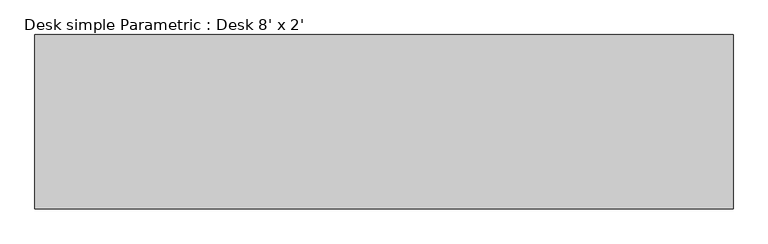
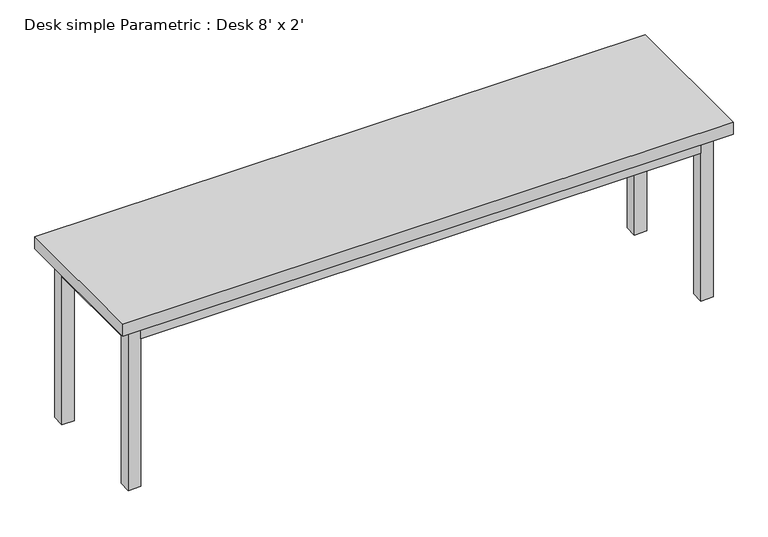
"""IFC4 building model written with IfcOpenShell, lengths in millimetres: furniture geometry, Desk simple Parametric : Desk 8' x 2'."""

from ifc_helpers import new_model, si_unit, frame, origin, origin_with_axes, place, context, project, spatial, polyline, outline, extrude, source, transform, mapped, element, save


def desk_simple_parametric_desk_8_x_2_7ae3be4c(model_context):
    return source(origin(), model_context, "Body", "SweptSolid", [
        extrude(outline(polyline([(1179.2, 324.8), (1179.2, -284.8), (-1259.2, -284.8), (-1259.2, 324.8), (1179.2, 324.8)])), frame((0.0, 0.0, 700.0), z_axis=(0.0, 0.0, 1.0), x_axis=(1.0, 0.0, 0.0)), (0.0, 0.0, 1.0), 50.0),
        extrude(outline(polyline([(1079.2, 249.8), (-1159.2, 249.8), (-1159.2, 274.8), (1079.2, 274.8), (1079.2, 249.8)])), frame((0.0, 0.0, 625.0), z_axis=(0.0, 0.0, 1.0), x_axis=(1.0, 0.0, 0.0)), (0.0, 0.0, 1.0), 75.0),
        extrude(outline(polyline([(-1184.2, 224.8), (-1184.2, -184.8), (-1209.2, -184.8), (-1209.2, 224.8), (-1184.2, 224.8)])), frame((0.0, 0.0, 625.0), z_axis=(0.0, 0.0, 1.0), x_axis=(1.0, 0.0, 0.0)), (0.0, 0.0, 1.0), 75.0),
        extrude(outline(polyline([(1104.2, 224.8), (1129.2, 224.8), (1129.2, -184.8), (1104.2, -184.8), (1104.2, 224.8)])), frame((0.0, 0.0, 625.0), z_axis=(0.0, 0.0, 1.0), x_axis=(1.0, 0.0, 0.0)), (0.0, 0.0, 1.0), 75.0),
        extrude(outline(polyline([(-1159.2, -234.8), (-1159.2, -209.8), (1079.2, -209.8), (1079.2, -234.8), (-1159.2, -234.8)])), frame((0.0, 0.0, 625.0), z_axis=(0.0, 0.0, 1.0), x_axis=(1.0, 0.0, 0.0)), (0.0, 0.0, 1.0), 75.0),
        extrude(outline(polyline([(-1159.2, 274.8), (-1159.2, 224.8), (-1209.2, 224.8), (-1209.2, 274.8), (-1159.2, 274.8)])), origin_with_axes(), (0.0, 0.0, 1.0), 700.0),
        extrude(outline(polyline([(-1159.2, -234.8), (-1209.2, -234.8), (-1209.2, -184.8), (-1159.2, -184.8), (-1159.2, -234.8)])), origin_with_axes(), (0.0, 0.0, 1.0), 700.0),
        extrude(outline(polyline([(1079.2, -234.8), (1079.2, -184.8), (1129.2, -184.8), (1129.2, -234.8), (1079.2, -234.8)])), origin_with_axes(), (0.0, 0.0, 1.0), 700.0),
        extrude(outline(polyline([(1079.2, 274.8), (1129.2, 274.8), (1129.2, 224.8), (1079.2, 224.8), (1079.2, 274.8)])), origin_with_axes(), (0.0, 0.0, 1.0), 700.0),
    ])


if __name__ == "__main__":
    model = new_model("IFC4")
    model_context = context("Model", 3, world=origin())
    ifc_project = project(units=[si_unit("LENGTHUNIT", "METRE", prefix="MILLI")], contexts=[model_context])
    site = spatial("IfcSite", under=ifc_project)
    building = spatial("IfcBuilding", under=site)
    placement = place(None, origin())
    desk_simple_parametric_desk_8_x_2_shape = desk_simple_parametric_desk_8_x_2_7ae3be4c(model_context)
    element("IfcFurniture", 1, ObjectType="Desk simple Parametric : Desk 8' x 2'", at=placement, inside=building, context=model_context, shape_type="MappedRepresentation", body=[
        mapped(desk_simple_parametric_desk_8_x_2_shape, transform((0.0, 0.0, 0.0), x_axis=(1.0, 0.0, 0.0), y_axis=(0.0, 1.0, 0.0), z_axis=(0.0, 0.0, 1.0))),
    ])
    save(model, "model.ifc")
